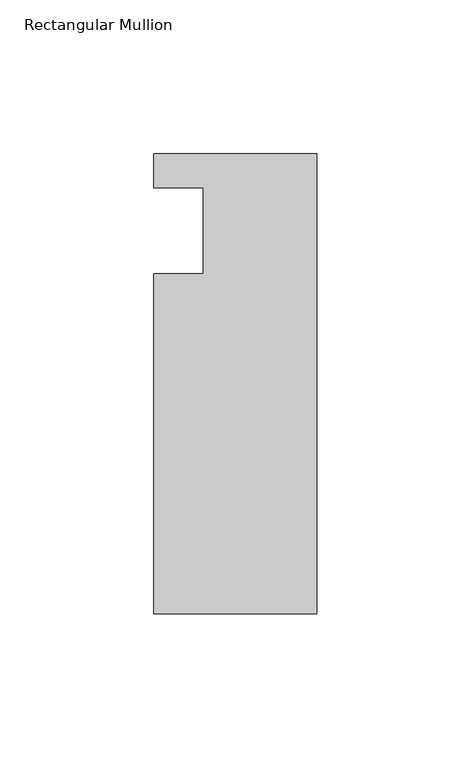
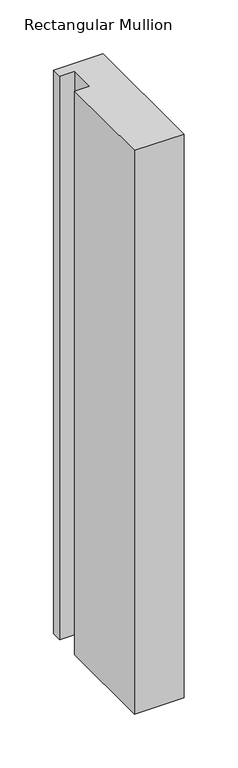
"""IFC4 building model written with IfcOpenShell, lengths in millimetres: member geometry, Rectangular Mullion."""

from ifc_helpers import new_model, si_unit, frame, origin, place, context, project, spatial, polyline, outline, extrude, source, transform, mapped, element, save


def rectangular_mullion_17b65820(model_context):
    return source(origin(), model_context, "Body", "SweptSolid", [
        extrude(outline(polyline([(0.0, 25.0), (0.0, -124.5), (-53.0, -124.5), (-53.0, -14.0), (-37.0, -14.0), (-37.0, 14.0), (-53.0, 14.0), (-53.0, 25.0), (0.0, 25.0)])), frame((0.0, 0.0, -637.6322694), z_axis=(0.0, 0.0, 1.0), x_axis=(1.0, 0.0, 0.0)), (0.0, 0.0, 1.0), 637.6322694),
    ])


if __name__ == "__main__":
    model = new_model("IFC4")
    model_context = context("Model", 3, world=origin())
    ifc_project = project(units=[si_unit("LENGTHUNIT", "METRE", prefix="MILLI")], contexts=[model_context])
    site = spatial("IfcSite", under=ifc_project)
    building = spatial("IfcBuilding", under=site)
    placement = place(None, origin())
    rectangular_mullion_shape = rectangular_mullion_17b65820(model_context)
    element("IfcMember", 1, ObjectType="Rectangular Mullion", at=placement, inside=building, context=model_context, shape_type="MappedRepresentation", body=[
        mapped(rectangular_mullion_shape, transform((0.0, 0.0, 0.0), x_axis=(1.0, 0.0, 0.0), y_axis=(0.0, 1.0, 0.0), z_axis=(0.0, 0.0, 1.0))),
    ])
    save(model, "model.ifc")
